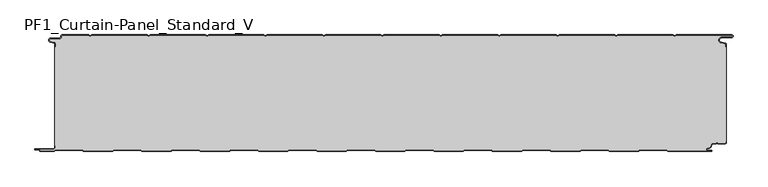
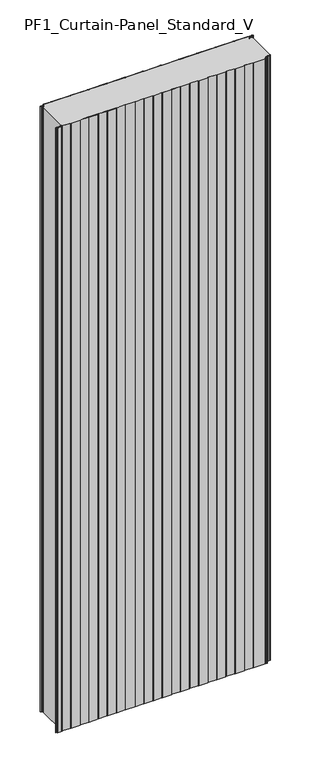
"""IFC4 building model written with IfcOpenShell, lengths in millimetres: plate geometry, PF1_Curtain-Panel_Standard_V."""

from ifc_helpers import new_model, si_unit, point, frame_2d, origin, origin_with_axes, place, context, project, spatial, polyline, circle_curve, trimmed, segment, composite_curve, outline, extrude, source, transform, mapped, element, save


def pf1_curtain_panel_standard_v_22e45108(model_context):
    return source(origin(), model_context, "Body", "SweptSolid", [
        extrude(outline(composite_curve([segment(trimmed(circle_curve(frame_2d((-577.0, -15.878557)), 2.0), [point((-575.0, -15.878557))], [point((-576.5500978, -13.9298169))], True, "CARTESIAN"), True, "CONTINUOUS"), segment(polyline([(-576.5500978, -13.9298169), (-582.7098239, -12.507732)]), True, "CONTINUOUS"), segment(trimmed(circle_curve(frame_2d((-581.9, -9.0)), 3.6), [point((-582.7098239, -12.507732))], [point((-581.9, -5.4))], False, "CARTESIAN"), True, "CONTINUOUS"), segment(polyline([(-581.9, -5.4), (-566.4, -5.4)]), True, "CONTINUOUS"), segment(trimmed(circle_curve(frame_2d((-566.4, -3.4)), 2.0), [point((-566.4, -5.4))], [point((-564.4, -3.4))], True, "CARTESIAN"), True, "CONTINUOUS"), segment(polyline([(-564.4, -3.4), (-564.4, -2.0)]), True, "CONTINUOUS"), segment(trimmed(circle_curve(frame_2d((-562.4, -2.0)), 2.0), [point((-564.4, -2.0))], [point((-562.4, 0.0))], False, "CARTESIAN"), True, "CONTINUOUS"), segment(polyline([(-562.4, 0.0), (-517.0999995, 0.0), (-514.4, -1.5588455), (-511.7000005, 0.0), (-417.0999995, 0.0), (-414.4, -1.5588455), (-411.7000005, 0.0), (-317.0999995, 0.0), (-314.4, -1.5588455), (-311.7000005, 0.0), (-217.0999995, 0.0), (-214.4, -1.5588455), (-211.7000005, 0.0), (-117.0999995, 0.0), (-114.4, -1.5588455), (-111.7000005, 0.0), (-17.0999995, 0.0), (-14.4, -1.5588455), (-11.7000005, 0.0), (82.9000005, 0.0), (85.6, -1.5588455), (88.2999995, 0.0), (182.9000005, 0.0), (185.6, -1.5588455), (188.2999995, 0.0), (282.9000005, 0.0), (285.6, -1.5588455), (288.2999995, 0.0), (382.9000005, 0.0), (385.6, -1.5588455), (388.2999995, 0.0), (482.9000005, 0.0), (485.6, -1.5588455), (488.2999995, 0.0), (583.268846, 0.0)]), True, "CONTINUOUS"), segment(trimmed(circle_curve(frame_2d((583.268846, -2.5)), 2.5), [point((583.268846, 0.0))], [point((583.268846, -5.0))], False, "CARTESIAN"), True, "CONTINUOUS"), segment(polyline([(583.268846, -5.0), (566.268846, -5.0)]), True, "CONTINUOUS"), segment(trimmed(circle_curve(frame_2d((566.268846, -9.0)), 4.0), [point((566.268846, -5.0))], [point((565.574253, -12.939231))], True, "CARTESIAN"), True, "CONTINUOUS"), segment(polyline([(565.574253, -12.939231), (572.0203315, -14.0758491)]), True, "CONTINUOUS"), segment(trimmed(circle_curve(frame_2d((571.568846, -16.6363492)), 2.6), [point((572.0203315, -14.0758491))], [point((574.168846, -16.6363492))], False, "CARTESIAN"), True, "CONTINUOUS"), segment(polyline([(574.168846, -16.6363492), (574.168846, -20.0), (573.368846, -20.0), (573.368846, -16.6363492)]), True, "CONTINUOUS"), segment(trimmed(circle_curve(frame_2d((571.568846, -16.6363492)), 1.8), [point((573.368846, -16.6363492))], [point((571.8814129, -14.8636953))], True, "CARTESIAN"), True, "CONTINUOUS"), segment(polyline([(571.8814129, -14.8636953), (565.4353344, -13.7270772)]), True, "CONTINUOUS"), segment(trimmed(circle_curve(frame_2d((566.268846, -9.0)), 4.8), [point((565.4353344, -13.7270772))], [point((566.268846, -4.2))], False, "CARTESIAN"), True, "CONTINUOUS"), segment(polyline([(566.268846, -4.2), (583.268846, -4.2)]), True, "CONTINUOUS"), segment(trimmed(circle_curve(frame_2d((583.268846, -2.5)), 1.7), [point((583.268846, -4.2))], [point((583.268846, -0.8))], True, "CARTESIAN"), True, "CONTINUOUS"), segment(polyline([(583.268846, -0.8), (488.5143588, -0.8), (485.6, -2.482606), (482.6856412, -0.8), (388.5143588, -0.8), (385.6, -2.482606), (382.6856412, -0.8), (288.5143588, -0.8), (285.6, -2.482606), (282.6856412, -0.8), (188.5143588, -0.8), (185.6, -2.482606), (182.6856412, -0.8), (88.5143588, -0.8), (85.6, -2.482606), (82.6856412, -0.8), (-11.4856412, -0.8), (-14.4, -2.482606), (-17.3143588, -0.8), (-111.4856412, -0.8), (-114.4, -2.482606), (-117.3143588, -0.8), (-211.4856412, -0.8), (-214.4, -2.482606), (-217.3143588, -0.8), (-311.4856412, -0.8), (-314.4, -2.482606), (-317.3143588, -0.8), (-411.4856412, -0.8), (-414.4, -2.482606), (-417.3143588, -0.8), (-511.4856412, -0.8), (-514.4, -2.482606), (-517.3143588, -0.8), (-562.4, -0.8)]), True, "CONTINUOUS"), segment(trimmed(circle_curve(frame_2d((-562.4, -2.0)), 1.2), [point((-562.4, -0.8))], [point((-563.6, -2.0))], True, "CARTESIAN"), True, "CONTINUOUS"), segment(polyline([(-563.6, -2.0), (-563.6, -3.4)]), True, "CONTINUOUS"), segment(trimmed(circle_curve(frame_2d((-566.4, -3.4)), 2.8), [point((-563.6, -3.4))], [point((-566.4, -6.2))], False, "CARTESIAN"), True, "CONTINUOUS"), segment(polyline([(-566.4, -6.2), (-581.9, -6.2)]), True, "CONTINUOUS"), segment(trimmed(circle_curve(frame_2d((-581.9, -9.0)), 2.8), [point((-581.9, -6.2))], [point((-582.529863, -11.7282362))], True, "CARTESIAN"), True, "CONTINUOUS"), segment(polyline([(-582.529863, -11.7282362), (-576.370137, -13.150321)]), True, "CONTINUOUS"), segment(trimmed(circle_curve(frame_2d((-577.0, -15.878557)), 2.8), [point((-576.370137, -13.150321))], [point((-574.2, -15.878557))], False, "CARTESIAN"), True, "CONTINUOUS"), segment(polyline([(-574.2, -15.878557), (-574.2, -20.0), (-575.0, -20.0), (-575.0, -15.878557)]), True, "CONTINUOUS")], self_intersect=False)), origin_with_axes(), (0.0, 0.0, 1.0), 3500.0),
        extrude(outline(composite_curve([segment(polyline([(-574.2, -190.0), (-575.0, -190.0), (-575.0, -20.0), (-574.2, -20.0), (-574.2, -15.878557)]), True, "CONTINUOUS"), segment(trimmed(circle_curve(frame_2d((-577.0, -15.878557)), 2.8), [point((-574.2, -15.878557))], [point((-576.370137, -13.1503208))], True, "CARTESIAN"), True, "CONTINUOUS"), segment(polyline([(-576.370137, -13.1503208), (-582.529863, -11.7282362)]), True, "CONTINUOUS"), segment(trimmed(circle_curve(frame_2d((-581.9, -9.0)), 2.8), [point((-582.529863, -11.7282362))], [point((-581.9, -6.2))], False, "CARTESIAN"), True, "CONTINUOUS"), segment(polyline([(-581.9, -6.2), (-566.4, -6.2)]), True, "CONTINUOUS"), segment(trimmed(circle_curve(frame_2d((-566.4, -3.4)), 2.8), [point((-566.4, -6.2))], [point((-563.6, -3.4))], True, "CARTESIAN"), True, "CONTINUOUS"), segment(polyline([(-563.6, -3.4), (-563.6, -2.0)]), True, "CONTINUOUS"), segment(trimmed(circle_curve(frame_2d((-562.4, -2.0)), 1.2), [point((-563.6, -2.0))], [point((-562.4, -0.8))], False, "CARTESIAN"), True, "CONTINUOUS"), segment(polyline([(-562.4, -0.8), (-517.3143588, -0.8), (-514.4, -2.482606), (-511.4856412, -0.8), (-417.3143588, -0.8), (-414.4, -2.482606), (-411.4856412, -0.8), (-317.3143588, -0.8), (-314.4, -2.482606), (-311.4856412, -0.8), (-217.3143588, -0.8), (-214.4, -2.482606), (-211.4856412, -0.8), (-117.3143588, -0.8), (-114.4, -2.482606), (-111.4856412, -0.8), (-17.3143588, -0.8), (-14.4, -2.482606), (-11.4856412, -0.8), (82.6856412, -0.8), (85.6, -2.482606), (88.5143588, -0.8), (182.6856412, -0.8), (185.6, -2.482606), (188.5143588, -0.8), (282.6856412, -0.8), (285.6, -2.482606), (288.5143588, -0.8), (382.6856412, -0.8), (385.6, -2.482606), (388.5143588, -0.8), (482.6856412, -0.8), (485.6, -2.482606), (488.5143588, -0.8), (583.268846, -0.8)]), True, "CONTINUOUS"), segment(trimmed(circle_curve(frame_2d((583.268846, -2.5)), 1.7), [point((583.268846, -0.8))], [point((583.268846, -4.2))], False, "CARTESIAN"), True, "CONTINUOUS"), segment(polyline([(583.268846, -4.2), (566.268846, -4.2)]), True, "CONTINUOUS"), segment(trimmed(circle_curve(frame_2d((566.268846, -9.0)), 4.8), [point((566.268846, -4.2))], [point((565.4353344, -13.7270772))], True, "CARTESIAN"), True, "CONTINUOUS"), segment(polyline([(565.4353344, -13.7270772), (571.8814129, -14.8636953)]), True, "CONTINUOUS"), segment(trimmed(circle_curve(frame_2d((571.568846, -16.6363492)), 1.8), [point((571.8814129, -14.8636953))], [point((573.368846, -16.6363492))], False, "CARTESIAN"), True, "CONTINUOUS"), segment(polyline([(573.368846, -16.6363492), (573.368846, -20.0), (574.168846, -20.0), (574.168846, -183.0), (573.368846, -183.0), (573.368846, -184.4)]), True, "CONTINUOUS"), segment(trimmed(circle_curve(frame_2d((571.568846, -184.4)), 1.8), [point((573.368846, -184.4))], [point((571.568846, -186.2))], False, "CARTESIAN"), True, "CONTINUOUS"), segment(polyline([(571.568846, -186.2), (560.0002158, -186.2), (558.168846, -184.3686285), (556.3374762, -186.2), (550.168846, -186.2)]), True, "CONTINUOUS"), segment(trimmed(circle_curve(frame_2d((550.168846, -188.0)), 1.8), [point((550.168846, -186.2))], [point((548.368846, -188.0))], True, "CARTESIAN"), True, "CONTINUOUS"), segment(polyline([(548.368846, -188.0), (548.368846, -188.8276204)]), True, "CONTINUOUS"), segment(trimmed(circle_curve(frame_2d((542.9964664, -188.8276204)), 5.3723796), [point((548.368846, -188.8276204))], [point((542.9964664, -194.2))], False, "CARTESIAN"), True, "CONTINUOUS"), segment(polyline([(542.9964664, -194.2), (542.168846, -194.2)]), True, "CONTINUOUS"), segment(trimmed(circle_curve(frame_2d((542.168846, -196.4)), 2.2), [point((542.168846, -194.2))], [point((542.168846, -198.6))], True, "CARTESIAN"), True, "CONTINUOUS"), segment(polyline([(542.168846, -198.6), (548.0579973, -198.6)]), True, "CONTINUOUS"), segment(trimmed(circle_curve(frame_2d((548.0579973, -198.9)), 0.3), [point((548.0579973, -198.6))], [point((548.0579973, -199.2))], False, "CARTESIAN"), True, "CONTINUOUS"), segment(polyline([(548.0579973, -199.2), (474.2152562, -199.2), (471.6171786, -197.7), (426.3884624, -197.7), (423.7903848, -199.2), (374.2152562, -199.2), (371.6171786, -197.7), (326.3884624, -197.7), (323.7903848, -199.2), (274.2152562, -199.2), (271.6171786, -197.7), (226.3884624, -197.7), (223.7903848, -199.2), (174.2152562, -199.2), (171.6171786, -197.7), (126.3884624, -197.7), (123.7903848, -199.2), (74.2152562, -199.2), (71.6171786, -197.7), (26.3884624, -197.7), (23.7903848, -199.2), (-25.7847438, -199.2), (-28.3828214, -197.7), (-73.6115376, -197.7), (-76.2096152, -199.2), (-125.7847438, -199.2), (-128.3828214, -197.7), (-173.6115376, -197.7), (-176.2096152, -199.2), (-225.7847438, -199.2), (-228.3828214, -197.7), (-273.6115376, -197.7), (-276.2096152, -199.2), (-325.7847438, -199.2), (-328.3828214, -197.7), (-373.6115376, -197.7), (-376.2096152, -199.2), (-425.7847438, -199.2), (-428.3828214, -197.7), (-473.6115376, -197.7), (-476.2096152, -199.2), (-525.7847438, -199.2), (-528.3828214, -197.7), (-573.6115376, -197.7), (-576.2096152, -199.2), (-599.4, -199.2)]), True, "CONTINUOUS"), segment(trimmed(circle_curve(frame_2d((-599.4, -198.4)), 0.8), [point((-599.4, -199.2))], [point((-600.2, -198.4))], False, "CARTESIAN"), True, "CONTINUOUS"), segment(trimmed(circle_curve(frame_2d((-601.9, -198.6133333)), 1.7133333), [point((-600.2, -198.4))], [point((-601.9, -196.9))], True, "CARTESIAN"), True, "CONTINUOUS"), segment(polyline([(-601.9, -196.9), (-607.8700312, -196.9)]), True, "CONTINUOUS"), segment(trimmed(circle_curve(frame_2d((-607.8700312, -196.6)), 0.3), [point((-607.8700312, -196.9))], [point((-607.8700312, -196.3))], False, "CARTESIAN"), True, "CONTINUOUS"), segment(polyline([(-607.8700312, -196.3), (-577.0, -196.3)]), True, "CONTINUOUS"), segment(trimmed(circle_curve(frame_2d((-577.0, -193.5)), 2.8), [point((-577.0, -196.3))], [point((-574.2, -193.5))], True, "CARTESIAN"), True, "CONTINUOUS"), segment(polyline([(-574.2, -193.5), (-574.2, -190.0)]), True, "CONTINUOUS")], self_intersect=False)), origin_with_axes(), (0.0, 0.0, 1.0), 3500.0),
        extrude(outline(composite_curve([segment(polyline([(-575.0, -190.0), (-574.2, -190.0), (-574.2, -193.5)]), True, "CONTINUOUS"), segment(trimmed(circle_curve(frame_2d((-577.0, -193.5)), 2.8), [point((-574.2, -193.5))], [point((-577.0, -196.3))], False, "CARTESIAN"), True, "CONTINUOUS"), segment(polyline([(-577.0, -196.3), (-607.8700312, -196.3)]), True, "CONTINUOUS"), segment(trimmed(circle_curve(frame_2d((-607.8700312, -196.6)), 0.3), [point((-607.8700312, -196.3))], [point((-607.8700312, -196.9))], True, "CARTESIAN"), True, "CONTINUOUS"), segment(polyline([(-607.8700312, -196.9), (-601.9, -196.9)]), True, "CONTINUOUS"), segment(trimmed(circle_curve(frame_2d((-601.9, -198.6133333)), 1.7133333), [point((-601.9, -196.9))], [point((-600.2, -198.4))], False, "CARTESIAN"), True, "CONTINUOUS"), segment(trimmed(circle_curve(frame_2d((-599.4, -198.4)), 0.8), [point((-600.2, -198.4))], [point((-599.4, -199.2))], True, "CARTESIAN"), True, "CONTINUOUS"), segment(polyline([(-599.4, -199.2), (-576.2096152, -199.2), (-573.6115376, -197.7), (-528.3828214, -197.7), (-525.7847438, -199.2), (-476.2096152, -199.2), (-473.6115376, -197.7), (-428.3828214, -197.7), (-425.7847438, -199.2), (-376.2096152, -199.2), (-373.6115376, -197.7), (-328.3828214, -197.7), (-325.7847438, -199.2), (-276.2096152, -199.2), (-273.6115376, -197.7), (-228.3828214, -197.7), (-225.7847438, -199.2), (-176.2096152, -199.2), (-173.6115376, -197.7), (-128.3828214, -197.7), (-125.7847438, -199.2), (-76.2096152, -199.2), (-73.6115376, -197.7), (-28.3828214, -197.7), (-25.7847438, -199.2), (23.7903848, -199.2), (26.3884624, -197.7), (71.6171786, -197.7), (74.2152562, -199.2), (123.7903848, -199.2), (126.3884624, -197.7), (171.6171786, -197.7), (174.2152562, -199.2), (223.7903848, -199.2), (226.3884624, -197.7), (271.6171786, -197.7), (274.2152562, -199.2), (323.7903848, -199.2), (326.3884624, -197.7), (371.6171786, -197.7), (374.2152562, -199.2), (423.7903848, -199.2), (426.3884624, -197.7), (471.6171786, -197.7), (474.2152562, -199.2), (548.0579973, -199.2)]), True, "CONTINUOUS"), segment(trimmed(circle_curve(frame_2d((548.0579973, -198.9)), 0.3), [point((548.0579973, -199.2))], [point((548.0579973, -198.6))], True, "CARTESIAN"), True, "CONTINUOUS"), segment(polyline([(548.0579973, -198.6), (542.168846, -198.6)]), True, "CONTINUOUS"), segment(trimmed(circle_curve(frame_2d((542.168846, -196.4)), 2.2), [point((542.168846, -198.6))], [point((542.168846, -194.2))], False, "CARTESIAN"), True, "CONTINUOUS"), segment(polyline([(542.168846, -194.2), (542.9964664, -194.2)]), True, "CONTINUOUS"), segment(trimmed(circle_curve(frame_2d((542.9964664, -188.8276204)), 5.3723796), [point((542.9964664, -194.2))], [point((548.368846, -188.8276204))], True, "CARTESIAN"), True, "CONTINUOUS"), segment(polyline([(548.368846, -188.8276204), (548.368846, -188.0)]), True, "CONTINUOUS"), segment(trimmed(circle_curve(frame_2d((550.168846, -188.0)), 1.8), [point((548.368846, -188.0))], [point((550.168846, -186.2))], False, "CARTESIAN"), True, "CONTINUOUS"), segment(polyline([(550.168846, -186.2), (556.3374762, -186.2), (558.168846, -184.3686285), (560.0002158, -186.2), (571.568846, -186.2)]), True, "CONTINUOUS"), segment(trimmed(circle_curve(frame_2d((571.568846, -184.4)), 1.8), [point((571.568846, -186.2))], [point((573.368846, -184.4))], True, "CARTESIAN"), True, "CONTINUOUS"), segment(polyline([(573.368846, -184.4), (573.368846, -183.0), (574.168846, -183.0), (574.168846, -184.4)]), True, "CONTINUOUS"), segment(trimmed(circle_curve(frame_2d((571.568846, -184.4)), 2.6), [point((574.168846, -184.4))], [point((571.568846, -187.0))], False, "CARTESIAN"), True, "CONTINUOUS"), segment(polyline([(571.568846, -187.0), (559.6688448, -187.0), (558.168846, -185.4999999), (556.6688472, -187.0), (550.168846, -187.0)]), True, "CONTINUOUS"), segment(trimmed(circle_curve(frame_2d((550.168846, -188.0)), 1.0), [point((550.168846, -187.0))], [point((549.168846, -188.0))], True, "CARTESIAN"), True, "CONTINUOUS"), segment(polyline([(549.168846, -188.0), (549.168846, -188.8276204)]), True, "CONTINUOUS"), segment(trimmed(circle_curve(frame_2d((542.9964664, -188.8276204)), 6.1723796), [point((549.168846, -188.8276204))], [point((542.9964664, -195.0))], False, "CARTESIAN"), True, "CONTINUOUS"), segment(polyline([(542.9964664, -195.0), (542.168846, -195.0)]), True, "CONTINUOUS"), segment(trimmed(circle_curve(frame_2d((542.168846, -196.5)), 1.5), [point((542.168846, -195.0))], [point((542.168846, -198.0))], True, "CARTESIAN"), True, "CONTINUOUS"), segment(polyline([(542.168846, -198.0), (548.168846, -198.0)]), True, "CONTINUOUS"), segment(trimmed(circle_curve(frame_2d((548.168846, -199.0)), 1.0), [point((548.168846, -198.0))], [point((548.168846, -200.0))], False, "CARTESIAN"), True, "CONTINUOUS"), segment(polyline([(548.168846, -200.0), (474.0008969, -200.0), (471.4028193, -198.5), (426.6028217, -198.5), (424.0047441, -200.0), (374.0008969, -200.0), (371.4028193, -198.5), (326.6028217, -198.5), (324.0047441, -200.0), (274.0008969, -200.0), (271.4028193, -198.5), (226.6028217, -198.5), (224.0047441, -200.0), (174.0008969, -200.0), (171.4028193, -198.5), (126.6028217, -198.5), (124.0047441, -200.0), (74.0008969, -200.0), (71.4028193, -198.5), (26.6028217, -198.5), (24.0047441, -200.0), (-25.9991031, -200.0), (-28.5971807, -198.5), (-73.3971783, -198.5), (-75.9952559, -200.0), (-125.9991031, -200.0), (-128.5971807, -198.5), (-173.3971783, -198.5), (-175.9952559, -200.0), (-225.9991031, -200.0), (-228.5971807, -198.5), (-273.3971783, -198.5), (-275.9952559, -200.0), (-325.9991031, -200.0), (-328.5971807, -198.5), (-373.3971783, -198.5), (-375.9952559, -200.0), (-425.9991031, -200.0), (-428.5971807, -198.5), (-473.3971783, -198.5), (-475.9952559, -200.0), (-525.9991031, -200.0), (-528.5971807, -198.5), (-573.3971783, -198.5), (-575.9952559, -200.0), (-599.4, -200.0)]), True, "CONTINUOUS"), segment(trimmed(circle_curve(frame_2d((-599.4, -198.4)), 1.6), [point((-599.4, -200.0))], [point((-601.0, -198.4))], False, "CARTESIAN"), True, "CONTINUOUS"), segment(trimmed(circle_curve(frame_2d((-601.9, -198.4)), 0.9), [point((-601.0, -198.4))], [point((-601.9, -197.5))], True, "CARTESIAN"), True, "CONTINUOUS"), segment(polyline([(-601.9, -197.5), (-608.0, -197.5)]), True, "CONTINUOUS"), segment(trimmed(circle_curve(frame_2d((-608.0, -196.5)), 1.0), [point((-608.0, -197.5))], [point((-608.0, -195.5))], False, "CARTESIAN"), True, "CONTINUOUS"), segment(polyline([(-608.0, -195.5), (-577.0, -195.5)]), True, "CONTINUOUS"), segment(trimmed(circle_curve(frame_2d((-577.0, -193.5)), 2.0), [point((-577.0, -195.5))], [point((-575.0, -193.5))], True, "CARTESIAN"), True, "CONTINUOUS"), segment(polyline([(-575.0, -193.5), (-575.0, -190.0)]), True, "CONTINUOUS")], self_intersect=False)), origin_with_axes(), (0.0, 0.0, 1.0), 3500.0),
    ])


if __name__ == "__main__":
    model = new_model("IFC4")
    model_context = context("Model", 3, world=origin())
    ifc_project = project(units=[si_unit("LENGTHUNIT", "METRE", prefix="MILLI")], contexts=[model_context])
    site = spatial("IfcSite", under=ifc_project)
    building = spatial("IfcBuilding", under=site)
    placement = place(None, origin())
    pf1_curtain_panel_standard_v_shape = pf1_curtain_panel_standard_v_22e45108(model_context)
    element("IfcPlate", 1, ObjectType="PF1_Curtain-Panel_Standard_V", at=placement, inside=building, context=model_context, shape_type="MappedRepresentation", body=[
        mapped(pf1_curtain_panel_standard_v_shape, transform((0.0, 0.0, 0.0), x_axis=(1.0, 0.0, 0.0), y_axis=(0.0, 1.0, 0.0), z_axis=(0.0, 0.0, 1.0))),
    ])
    save(model, "model.ifc")
